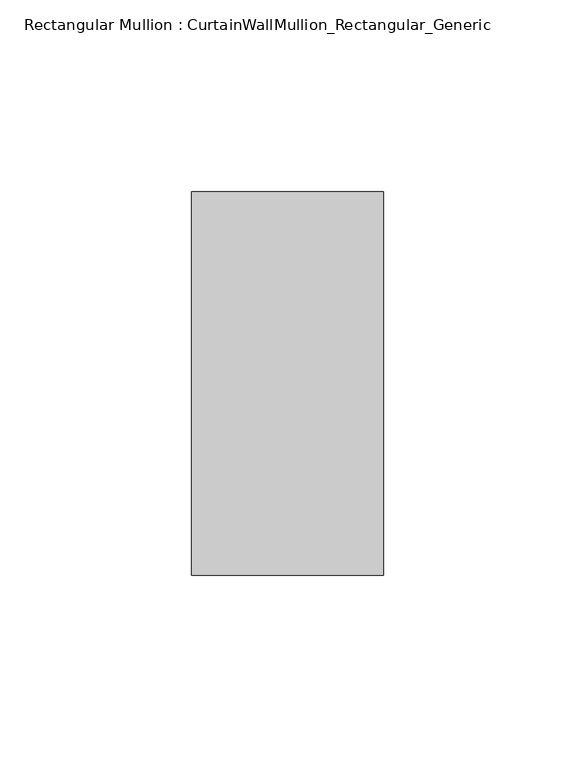
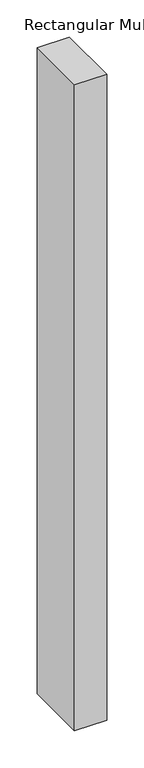
"""IFC4 building model written with IfcOpenShell, lengths in millimetres: member geometry, Rectangular Mullion : CurtainWallMullion_Rectangular_Generic."""

from ifc_helpers import new_model, si_unit, frame, origin, place, context, project, spatial, polyline, outline, extrude, source, transform, mapped, element, save


def rectangular_mullion_curtainwallmullion_rectangular_generic_b46f5709(model_context):
    return source(origin(), model_context, "Body", "SweptSolid", [
        extrude(outline(polyline([(25.0, 50.0), (25.0, -50.0), (-25.0, -50.0), (-25.0, 50.0), (25.0, 50.0)])), frame((0.0, 0.0, -1060.0000002), z_axis=(0.0, 0.0, 1.0), x_axis=(1.0, 0.0, 0.0)), (0.0, 0.0, 1.0), 1060.0000002),
    ])


if __name__ == "__main__":
    model = new_model("IFC4")
    model_context = context("Model", 3, world=origin())
    ifc_project = project(units=[si_unit("LENGTHUNIT", "METRE", prefix="MILLI")], contexts=[model_context])
    site = spatial("IfcSite", under=ifc_project)
    building = spatial("IfcBuilding", under=site)
    placement = place(None, origin())
    rectangular_mullion_curtainwallmullion_rectangular_generic_shape = rectangular_mullion_curtainwallmullion_rectangular_generic_b46f5709(model_context)
    element("IfcMember", 1, ObjectType="Rectangular Mullion : CurtainWallMullion_Rectangular_Generic", at=placement, inside=building, context=model_context, shape_type="MappedRepresentation", body=[
        mapped(rectangular_mullion_curtainwallmullion_rectangular_generic_shape, transform((0.0, 0.0, 0.0), x_axis=(1.0, 0.0, 0.0), y_axis=(0.0, 1.0, 0.0), z_axis=(0.0, 0.0, 1.0))),
    ])
    save(model, "model.ifc")
